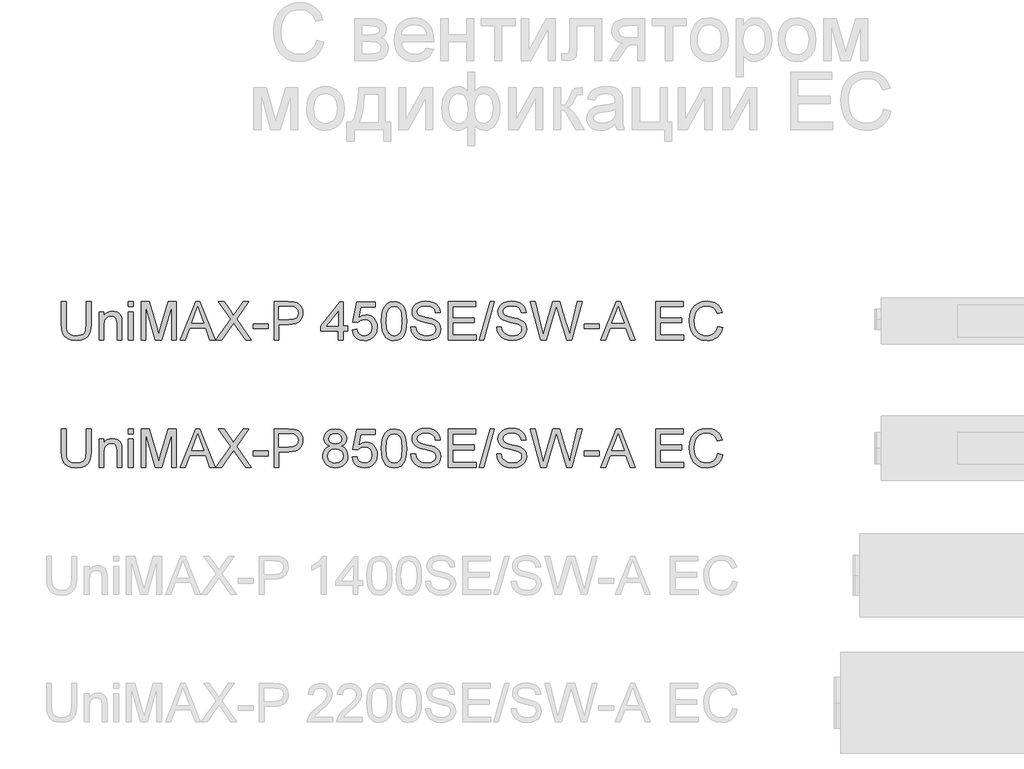
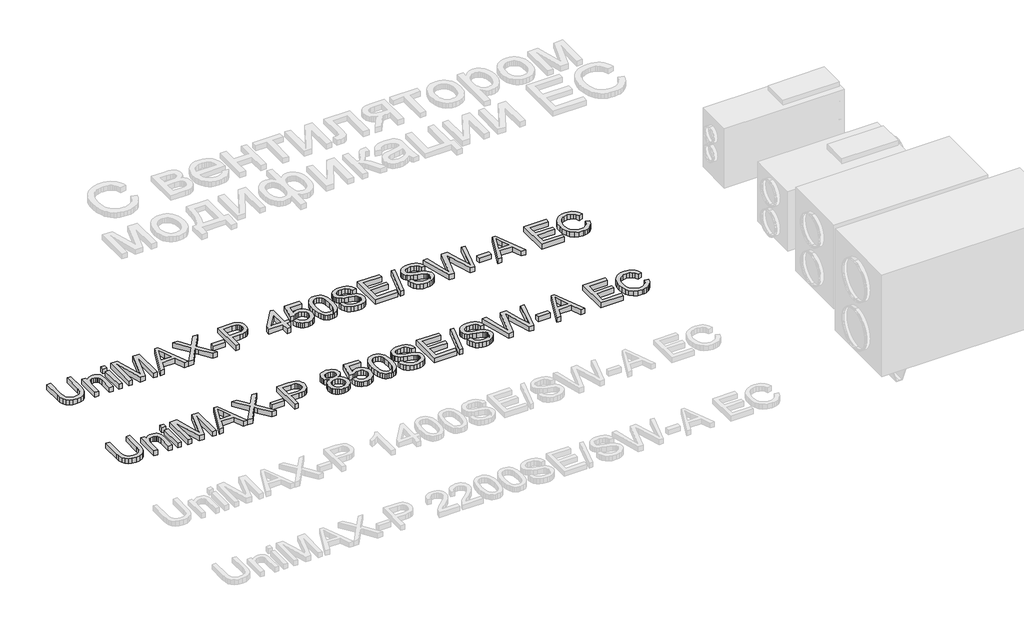
# One storey, part 6 of 74: 2 proxies.
"""IFC4 building model written with IfcOpenShell, lengths in millimetres."""

from ifc_helpers import new_model, si_unit, origin, origin_with_axes, place, context, project, spatial, polyline, outline, extrude, element, save

model = new_model("IFC4")

# Units and contexts
model_context = context("Model", 3, world=origin())
ifc_project = project(units=[si_unit("LENGTHUNIT", "METRE", prefix="MILLI")], contexts=[model_context])

# Site, building, storey
site = spatial("IfcSite", under=ifc_project)
building = spatial("IfcBuilding", under=site)
storey = spatial("IfcBuildingStorey", under=building, Elevation=0.0)

# Proxies
placement = place(None, origin())
element("IfcBuildingElementProxy", 1, Name="Generic Models", at=placement, inside=storey, context=model_context, shape_type="SweptSolid", body=[
    extrude(outline(polyline([(23136.3424808, -35731.9528304), (23174.0135971, -35731.9528304), (23174.0135971, -35905.8138613), (23171.4568172, -35946.5292011), (23163.7864776, -35977.8819441), (23149.4574739, -36002.0701853), (23126.9247017, -36021.2920196), (23096.1329787, -36033.8459926), (23057.0271226, -36038.0306503), (23018.7765922, -36034.3886186), (22988.1964013, -36023.4625233), (22965.277353, -36005.6294436), (22950.0102502, -35981.2664585), (22941.4294027, -35948.5893403), (22938.5691202, -35905.8138613), (22938.5691202, -35731.9528304), (22976.2402365, -35731.9528304), (22976.2402365, -35904.4894861), (22978.0980406, -35938.3438267), (22983.6714528, -35961.9158655), (22993.7698136, -35978.2406291), (23009.2024633, -35990.3531438), (23029.3256084, -35997.8579365), (23053.4954555, -36000.359534), (23091.8103653, -35995.4115212), (23106.1531646, -35989.2265052), (23117.2861934, -35980.5674827), (23125.6233192, -35968.3905887), (23131.578409, -35951.6519579), (23136.3424808, -35904.4894861), (23136.3424808, -35731.9528304)])), origin_with_axes(), (0.0, 0.0, 1.0), 50.0),
    extrude(outline(polyline([(23235.2291611, -36033.3217608), (23235.2291611, -35812.0039525), (23272.9002774, -35812.0039525), (23272.9002774, -35842.9060401), (23285.9876794, -35827.3262376), (23301.7054376, -35816.1978072), (23320.0535521, -35809.520749), (23341.0320229, -35807.295063), (23359.6008666, -35809.0884877), (23376.6062118, -35814.4687619), (23390.7880628, -35822.7645009), (23400.8864235, -35833.30432), (23412.1804008, -35861.0058343), (23414.1669636, -35897.4261518), (23414.1669636, -36033.3217608), (23376.4958472, -36033.3217608), (23376.4958472, -35902.5029233), (23372.1548397, -35869.1728146), (23366.1491661, -35859.2491977), (23356.8141605, -35851.551267), (23344.8487986, -35846.6124512), (23330.9520562, -35844.9661793), (23308.8883336, -35848.6633933), (23290.0803666, -35859.7550355), (23282.5640776, -35868.8095311), (23277.1952997, -35881.1841617), (23272.9002774, -35915.8938279), (23272.9002774, -36033.3217608), (23235.2291611, -36033.3217608)])), origin_with_axes(), (0.0, 0.0, 1.0), 50.0),
    extrude(outline(polyline([(23465.9647485, -36033.3217608), (23465.9647485, -35812.0039525), (23503.6358648, -35812.0039525), (23503.6358648, -36033.3217608), (23465.9647485, -36033.3217608)])), origin_with_axes(), (0.0, 0.0, 1.0), 50.0),
    extrude(outline(polyline([(23465.9647485, -35769.6239467), (23465.9647485, -35731.9528304), (23503.6358648, -35731.9528304), (23503.6358648, -35769.6239467), (23465.9647485, -35769.6239467)])), origin_with_axes(), (0.0, 0.0, 1.0), 50.0),
    extrude(outline(polyline([(23564.8514288, -36033.3217608), (23564.8514288, -35731.9528304), (23629.6722363, -35731.9528304), (23691.3292587, -35944.3678944), (23703.7636702, -35988.734463), (23717.2281512, -35940.6890744), (23777.855104, -35731.9528304), (23842.6759115, -35731.9528304), (23842.6759115, -36033.3217608), (23805.0047952, -36033.3217608), (23805.0047952, -35769.6239467), (23729.2946806, -36033.3217608), (23678.2326597, -36033.3217608), (23602.5225451, -35769.6239467), (23602.5225451, -36033.3217608), (23564.8514288, -36033.3217608)])), origin_with_axes(), (0.0, 0.0, 1.0), 50.0),
    extrude(outline(polyline([(23873.5044227, -36033.3217608), (23993.8018352, -35731.9528304), (24025.8811451, -35731.9528304), (24146.1785576, -36033.3217608), (24106.3737257, -36033.3217608), (24071.8663945, -35939.14397), (23947.7430094, -35939.14397), (23913.3092546, -36033.3217608), (23873.5044227, -36033.3217608)]), holes=[polyline([(23961.5753724, -35901.4728537), (24058.1076079, -35901.4728537), (24030.9579167, -35827.3814199), (24009.8414901, -35769.6239467), (23991.0795084, -35820.9066968), (23961.5753724, -35901.4728537)])]), origin_with_axes(), (0.0, 0.0, 1.0), 50.0),
    extrude(outline(polyline([(24153.4626211, -36033.3217608), (24269.6397551, -35869.0992382), (24172.2981792, -35731.9528304), (24217.4740882, -35731.9528304), (24272.2885055, -35809.1344729), (24290.7561817, -35839.2272201), (24312.387643, -35808.6194381), (24366.6134491, -35731.9528304), (24412.4515457, -35731.9528304), (24315.1099697, -35869.5406965), (24431.2871038, -36033.3217608), (24386.1111948, -36033.3217608), (24308.708823, -35924.1343846), (24292.5955916, -35901.4728537), (24274.8636795, -35926.3416766), (24199.3007177, -36033.3217608), (24153.4626211, -36033.3217608)])), origin_with_axes(), (0.0, 0.0, 1.0), 50.0),
    extrude(outline(polyline([(24445.4137724, -35943.8528596), (24445.4137724, -35906.1817433), (24563.1360109, -35906.1817433), (24563.1360109, -35943.8528596), (24445.4137724, -35943.8528596)])), origin_with_axes(), (0.0, 0.0, 1.0), 50.0),
    extrude(outline(polyline([(24610.2249063, -36033.3217608), (24610.2249063, -35731.9528304), (24721.91388, -35731.9528304), (24766.9426362, -35734.8223099), (24787.0197961, -35740.18419), (24803.5468947, -35748.9121903), (24816.8550259, -35761.4017841), (24827.2752834, -35778.0484443), (24834.0075239, -35797.6841458), (24836.2516041, -35819.1408632), (24834.7363901, -35837.640729), (24830.1907482, -35854.6598698), (24822.6146784, -35870.1982856), (24812.0081806, -35884.2559764), (24797.4469514, -35895.9086386), (24778.0066872, -35904.2319687), (24753.6873881, -35909.2259668), (24724.489054, -35910.8906328), (24647.8960226, -35910.8906328), (24647.8960226, -36033.3217608), (24610.2249063, -36033.3217608)]), holes=[polyline([(24647.8960226, -35873.2195165), (24726.6963459, -35873.2195165), (24760.1000311, -35869.7614257), (24782.1729508, -35859.3871535), (24794.4786036, -35842.7404932), (24798.5804878, -35820.4652384), (24796.1616637, -35803.5426666), (24788.9051913, -35789.2688452), (24777.7123816, -35778.5266909), (24763.4845455, -35772.1991206), (24725.8134292, -35769.6239467), (24647.8960226, -35769.6239467), (24647.8960226, -35873.2195165)])]), origin_with_axes(), (0.0, 0.0, 1.0), 50.0),
    extrude(outline(polyline([(25114.0760869, -36033.3217608), (25114.0760869, -35962.6884177), (24977.5182903, -35962.6884177), (24977.5182903, -35925.0173014), (25123.4938659, -35736.6617199), (25151.7472032, -35736.6617199), (25151.7472032, -35925.0173014), (25189.4183195, -35925.0173014), (25189.4183195, -35962.6884177), (25151.7472032, -35962.6884177), (25151.7472032, -36033.3217608), (25114.0760869, -36033.3217608)]), holes=[polyline([(25114.0760869, -35925.0173014), (25114.0760869, -35808.6194381), (25023.8714216, -35925.0173014), (25114.0760869, -35925.0173014)])]), origin_with_axes(), (0.0, 0.0, 1.0), 50.0),
    extrude(outline(polyline([(25222.3805462, -35953.2706387), (25260.0516626, -35948.5617491), (25266.9678441, -35971.1772948), (25279.0343735, -35987.3732996), (25296.1960686, -35997.1129754), (25318.397747, -36000.359534), (25345.4002854, -35995.8437825), (25365.6337952, -35982.2965281), (25378.2705417, -35961.2812691), (25382.4827905, -35934.3615041), (25378.5372561, -35909.0144346), (25366.700653, -35889.6270535), (25346.8810105, -35877.3214007), (25318.9863582, -35873.2195165), (25300.7118201, -35874.8565914), (25285.9137668, -35879.767816), (25264.7605521, -35896.7639642), (25227.0894358, -35892.0550747), (25260.0516626, -35736.6617199), (25406.0272382, -35736.6617199), (25406.0272382, -35774.3328362), (25290.5122918, -35774.3328362), (25274.3990604, -35857.3270143), (25301.3096283, -35840.9930537), (25329.5077832, -35835.5484002), (25347.8535985, -35837.2360588), (25364.7048931, -35842.2990348), (25380.0616672, -35850.7373281), (25393.9239206, -35862.5509386), (25405.3995396, -35877.0178981), (25413.5964103, -35893.416238), (25418.5145327, -35911.7459584), (25420.1539069, -35932.0070593), (25414.2494008, -35969.6781756), (25406.8687683, -35986.4719887), (25396.5358828, -36001.9046384), (25380.8825039, -36017.7097686), (25362.6171628, -36028.9991474), (25341.7398596, -36035.7727746), (25318.2505942, -36038.0306503), (25281.2508625, -36032.2273119), (25265.5721917, -36024.9731388), (25251.7743177, -36014.8172964), (25240.2941001, -36002.2656226), (25231.5683991, -35987.823955), (25222.3805462, -35953.2706387)])), origin_with_axes(), (0.0, 0.0, 1.0), 50.0),
    extrude(outline(polyline([(25453.1161336, -35885.0653167), (25455.8844456, -35836.8267901), (25464.1893817, -35798.3555305), (25477.9481683, -35769.0629266), (25497.078032, -35748.3603673), (25521.7169287, -35736.0547146), (25552.0028139, -35731.9528304), (25575.2161678, -35734.3808515), (25596.0015005, -35741.664915), (25613.3839248, -35753.5199123), (25626.3885533, -35769.6607349), (25636.2110026, -35789.9494269), (25644.0468891, -35814.2480327), (25649.1788429, -35845.104135), (25650.8894942, -35885.0653167), (25648.1487734, -35933.0279319), (25639.9266108, -35971.407221), (25626.2505976, -36000.727416), (25607.148325, -36021.5127488), (25582.4542461, -36033.9011749), (25552.0028139, -36038.0306503), (25531.2542694, -36036.2372256), (25512.8601696, -36030.8569514), (25496.8205146, -36021.8898278), (25483.1353044, -36009.3358547), (25470.0019172, -35986.6421341), (25460.6209263, -35958.3658043), (25454.9923318, -35924.5068652), (25453.1161336, -35885.0653167)]), holes=[polyline([(25490.7872499, -35884.9917403), (25495.2018339, -35944.2483327), (25500.7200638, -35964.5163314), (25508.4455857, -35978.5441317), (25528.1640606, -35994.9056835), (25552.0028139, -36000.359534), (25575.8415672, -35994.8872894), (25595.5600422, -35978.4705553), (25603.2855641, -35964.4197624), (25608.803794, -35944.1563622), (25613.2183779, -35884.9917403), (25608.9509468, -35827.0687202), (25603.6166578, -35806.8674001), (25596.1486533, -35792.5062068), (25576.4669666, -35775.3445117), (25551.5613555, -35769.6239467), (25527.9801196, -35774.66393), (25509.0341969, -35789.78388), (25501.0511576, -35805.4188648), (25495.3489867, -35826.4985031), (25490.7872499, -35884.9917403)])]), origin_with_axes(), (0.0, 0.0, 1.0), 50.0),
    extrude(outline(polyline([(25683.851721, -35929.726191), (25721.5228373, -35929.726191), (25725.8454507, -35950.6310853), (25733.6629431, -35967.4340955), (25745.8582313, -35980.7698178), (25763.314232, -35991.2728488), (25784.6513877, -35998.0878627), (25808.490141, -36000.359534), (25829.4778088, -35998.6396857), (25847.8535144, -35993.4801407), (25862.7435382, -35985.3131604), (25873.2741603, -35974.5710062), (25879.5373513, -35962.2377623), (25881.6250816, -35949.2975131), (25880.0615831, -35936.6883577), (25875.3710877, -35925.7898536), (25865.842944, -35916.4916362), (25849.7665008, -35908.6833408), (25794.9152953, -35894.2991548), (25758.9088451, -35884.7802082), (25735.8702351, -35875.7211141), (25717.1174504, -35863.0475793), (25703.8277133, -35847.688506), (25695.9090534, -35829.974988), (25693.2695001, -35810.2381189), (25696.5344528, -35788.1743963), (25706.3293109, -35767.6005957), (25722.396557, -35750.1629891), (25744.4786738, -35737.5078485), (25770.9845716, -35729.8099177), (25800.3231607, -35727.2439408), (25832.1081651, -35729.9294794), (25859.9200439, -35737.9860951), (25882.7655158, -35751.248241), (25899.6512994, -35769.5503703), (25910.3382713, -35791.7520487), (25914.5873084, -35816.712842), (25876.9161921, -35816.712842), (25870.0000106, -35794.2352521), (25855.5790363, -35778.0116561), (25833.0462641, -35768.1892069), (25801.7946886, -35764.9150571), (25769.8073492, -35768.1524187), (25747.8631882, -35777.8645034), (25735.1712593, -35792.1567189), (25730.9406164, -35809.1344729), (25733.9388546, -35823.6106295), (25742.9335694, -35835.2540946), (25764.1971487, -35845.6651551), (25804.443439, -35856.2969447), (25845.9773163, -35866.3953055), (25871.1036565, -35875.2060793), (25892.578768, -35888.8728954), (25907.5607623, -35905.7402849), (25916.362339, -35925.6243067), (25919.2961979, -35948.3410199), (25915.9208806, -35971.5635709), (25905.7949287, -35993.4065643), (25889.3322094, -36012.2053343), (25866.94659, -36026.2952147), (25840.026825, -36035.0967914), (25809.9616689, -36038.0306503), (25773.0539078, -36034.8668652), (25742.676052, -36025.3755097), (25718.4786138, -36009.5197957), (25700.1121052, -35987.262935), (25688.3214872, -35960.150032), (25683.851721, -35929.726191)])), origin_with_axes(), (0.0, 0.0, 1.0), 50.0),
    extrude(outline(polyline([(25975.8028724, -36033.3217608), (25975.8028724, -35731.9528304), (26192.4117911, -35731.9528304), (26192.4117911, -35769.6239467), (26013.4739887, -35769.6239467), (26013.4739887, -35859.0928479), (26182.9940121, -35859.0928479), (26182.9940121, -35896.7639642), (26013.4739887, -35896.7639642), (26013.4739887, -35995.6506445), (26197.1206807, -35995.6506445), (26197.1206807, -36033.3217608), (25975.8028724, -36033.3217608)])), origin_with_axes(), (0.0, 0.0, 1.0), 50.0),
    extrude(outline(polyline([(26220.6651284, -36033.3217608), (26305.42514, -35731.9528304), (26339.4174364, -35731.9528304), (26254.6574247, -36033.3217608), (26220.6651284, -36033.3217608)])), origin_with_axes(), (0.0, 0.0, 1.0), 50.0),
    extrude(outline(polyline([(26357.222925, -35929.726191), (26394.8940413, -35929.726191), (26399.2166547, -35950.6310853), (26407.0341471, -35967.4340955), (26419.2294353, -35980.7698178), (26436.6854359, -35991.2728488), (26458.0225916, -35998.0878627), (26481.8613449, -36000.359534), (26502.8490128, -35998.6396857), (26521.2247184, -35993.4801407), (26536.1147422, -35985.3131604), (26546.6453643, -35974.5710062), (26552.9085553, -35962.2377623), (26554.9962856, -35949.2975131), (26553.4327871, -35936.6883577), (26548.7422917, -35925.7898536), (26539.214148, -35916.4916362), (26523.1377048, -35908.6833408), (26468.2864993, -35894.2991548), (26432.280049, -35884.7802082), (26409.2414391, -35875.7211141), (26390.4886544, -35863.0475793), (26377.1989173, -35847.688506), (26369.2802574, -35829.974988), (26366.640704, -35810.2381189), (26369.9056568, -35788.1743963), (26379.7005149, -35767.6005957), (26395.767761, -35750.1629891), (26417.8498778, -35737.5078485), (26444.3557755, -35729.8099177), (26473.6943646, -35727.2439408), (26505.479369, -35729.9294794), (26533.2912479, -35737.9860951), (26556.1367198, -35751.248241), (26573.0225033, -35769.5503703), (26583.7094753, -35791.7520487), (26587.9585123, -35816.712842), (26550.287396, -35816.712842), (26543.3712145, -35794.2352521), (26528.9502403, -35778.0116561), (26506.4174681, -35768.1892069), (26475.1658926, -35764.9150571), (26443.1785531, -35768.1524187), (26421.2343921, -35777.8645034), (26408.5424633, -35792.1567189), (26404.3118203, -35809.1344729), (26407.3100586, -35823.6106295), (26416.3047734, -35835.2540946), (26437.5683527, -35845.6651551), (26477.814643, -35856.2969447), (26519.3485202, -35866.3953055), (26544.4748605, -35875.2060793), (26565.949972, -35888.8728954), (26580.9319662, -35905.7402849), (26589.733543, -35925.6243067), (26592.6674019, -35948.3410199), (26589.2920846, -35971.5635709), (26579.1661327, -35993.4065643), (26562.7034134, -36012.2053343), (26540.317794, -36026.2952147), (26513.398029, -36035.0967914), (26483.3328729, -36038.0306503), (26446.4251117, -36034.8668652), (26416.047256, -36025.3755097), (26391.8498178, -36009.5197957), (26373.4833092, -35987.262935), (26361.6926912, -35960.150032), (26357.222925, -35929.726191)])), origin_with_axes(), (0.0, 0.0, 1.0), 50.0),
    extrude(outline(polyline([(26703.1055768, -36033.3217608), (26620.9207391, -35731.9528304), (26659.7690778, -35731.9528304), (26707.4465844, -35930.0204966), (26722.1618642, -35991.1624842), (26737.9072136, -35937.0838309), (26797.6512496, -35731.9528304), (26853.6428893, -35731.9528304), (26897.0529647, -35880.6507328), (26915.6493995, -35935.8330321), (26929.3530039, -35991.1624842), (26943.6268253, -35931.7863301), (26991.7457902, -35731.9528304), (27030.5941289, -35731.9528304), (26948.3357148, -36033.3217608), (26908.0894245, -36033.3217608), (26835.8374007, -35800.8203398), (26825.757434, -35768.3731479), (26814.4266686, -35807.4422158), (26748.5757914, -36033.3217608), (26703.1055768, -36033.3217608)])), origin_with_axes(), (0.0, 0.0, 1.0), 50.0),
    extrude(outline(polyline([(27044.7207976, -35943.8528596), (27044.7207976, -35906.1817433), (27162.443036, -35906.1817433), (27162.443036, -35943.8528596), (27044.7207976, -35943.8528596)])), origin_with_axes(), (0.0, 0.0, 1.0), 50.0),
    extrude(outline(polyline([(27174.4359891, -36033.3217608), (27294.7334015, -35731.9528304), (27326.8127115, -35731.9528304), (27447.1101239, -36033.3217608), (27407.305292, -36033.3217608), (27372.7979609, -35939.14397), (27248.6745757, -35939.14397), (27214.2408209, -36033.3217608), (27174.4359891, -36033.3217608)]), holes=[polyline([(27262.5069387, -35901.4728537), (27359.0391742, -35901.4728537), (27331.889483, -35827.3814199), (27310.7730565, -35769.6239467), (27292.0110747, -35820.9066968), (27262.5069387, -35901.4728537)])]), origin_with_axes(), (0.0, 0.0, 1.0), 50.0),
    extrude(outline(polyline([(27605.0786526, -36033.3217608), (27605.0786526, -35731.9528304), (27821.6875714, -35731.9528304), (27821.6875714, -35769.6239467), (27642.7497689, -35769.6239467), (27642.7497689, -35859.0928479), (27812.2697923, -35859.0928479), (27812.2697923, -35896.7639642), (27642.7497689, -35896.7639642), (27642.7497689, -35995.6506445), (27826.3964609, -35995.6506445), (27826.3964609, -36033.3217608), (27605.0786526, -36033.3217608)])), origin_with_axes(), (0.0, 0.0, 1.0), 50.0),
    extrude(outline(polyline([(28094.8031646, -35926.1945238), (28132.4742809, -35935.9066085), (28125.020072, -35959.3337938), (28115.0918566, -35979.8041276), (28102.6896349, -35997.3176098), (28087.8134067, -36011.8742405), (28070.7988644, -36023.3176698), (28051.9817003, -36031.4915479), (28031.3619145, -36036.3958747), (28008.9395069, -36038.0306503), (27965.2443229, -36033.0826375), (27930.5438537, -36018.238599), (27903.9459855, -35994.0135696), (27884.5586043, -35960.9225842), (27872.7220011, -35922.0190632), (27868.7764667, -35880.3564272), (27873.2370359, -35836.4129229), (27886.6187435, -35798.4658951), (27908.2226137, -35767.7201573), (27937.3496707, -35745.3805232), (27971.89379, -35731.7780864), (28009.7488473, -35727.2439408), (28051.0527983, -35733.1116586), (28069.0215345, -35740.4463059), (28085.2014445, -35750.7148121), (28099.3258139, -35763.6458642), (28111.1279281, -35778.9681493), (28127.7653914, -35816.7864184), (28090.094275, -35825.7627391), (28077.0344642, -35798.2911511), (28059.1921875, -35779.4463959), (28036.3467156, -35768.5478918), (28008.2773193, -35764.9150571), (27975.9220978, -35768.943365), (27949.3426237, -35781.0282885), (27929.1734933, -35799.9006349), (27916.0493031, -35824.2912111), (27908.8480131, -35851.8639667), (27906.4475831, -35880.2828508), (27909.2894715, -35915.0844876), (27917.8151367, -35945.1772348), (27932.3464755, -35969.4114612), (27953.2053846, -35986.6375356), (27978.2121633, -35996.9290344), (28005.1871106, -36000.359534), (28036.6318241, -35995.6874327), (28062.8342192, -35981.6711287), (28082.6170735, -35958.4577748), (28094.8031646, -35926.1945238)])), origin_with_axes(), (0.0, 0.0, 1.0), 50.0),
])
element("IfcBuildingElementProxy", 2, Name="Generic Models", at=placement, inside=storey, context=model_context, shape_type="SweptSolid", body=[
    extrude(outline(polyline([(23136.3424808, -36731.9528304), (23174.0135971, -36731.9528304), (23174.0135971, -36905.8138613), (23171.4568172, -36946.5292011), (23163.7864776, -36977.8819441), (23149.4574739, -37002.0701853), (23126.9247017, -37021.2920196), (23096.1329787, -37033.8459926), (23057.0271226, -37038.0306503), (23018.7765922, -37034.3886186), (22988.1964013, -37023.4625233), (22965.277353, -37005.6294436), (22950.0102502, -36981.2664585), (22941.4294027, -36948.5893403), (22938.5691202, -36905.8138613), (22938.5691202, -36731.9528304), (22976.2402365, -36731.9528304), (22976.2402365, -36904.4894861), (22978.0980406, -36938.3438267), (22983.6714528, -36961.9158655), (22993.7698136, -36978.2406291), (23009.2024633, -36990.3531438), (23029.3256084, -36997.8579365), (23053.4954555, -37000.359534), (23091.8103653, -36995.4115212), (23106.1531646, -36989.2265052), (23117.2861934, -36980.5674827), (23125.6233192, -36968.3905887), (23131.578409, -36951.6519579), (23136.3424808, -36904.4894861), (23136.3424808, -36731.9528304)])), origin_with_axes(), (0.0, 0.0, 1.0), 50.0),
    extrude(outline(polyline([(23235.2291611, -37033.3217608), (23235.2291611, -36812.0039525), (23272.9002774, -36812.0039525), (23272.9002774, -36842.9060401), (23285.9876794, -36827.3262376), (23301.7054376, -36816.1978072), (23320.0535521, -36809.520749), (23341.0320229, -36807.295063), (23359.6008666, -36809.0884877), (23376.6062118, -36814.4687619), (23390.7880628, -36822.7645009), (23400.8864235, -36833.30432), (23412.1804008, -36861.0058343), (23414.1669636, -36897.4261518), (23414.1669636, -37033.3217608), (23376.4958472, -37033.3217608), (23376.4958472, -36902.5029233), (23372.1548397, -36869.1728146), (23366.1491661, -36859.2491977), (23356.8141605, -36851.551267), (23344.8487986, -36846.6124512), (23330.9520562, -36844.9661793), (23308.8883336, -36848.6633933), (23290.0803666, -36859.7550355), (23282.5640776, -36868.8095311), (23277.1952997, -36881.1841617), (23272.9002774, -36915.8938279), (23272.9002774, -37033.3217608), (23235.2291611, -37033.3217608)])), origin_with_axes(), (0.0, 0.0, 1.0), 50.0),
    extrude(outline(polyline([(23465.9647485, -37033.3217608), (23465.9647485, -36812.0039525), (23503.6358648, -36812.0039525), (23503.6358648, -37033.3217608), (23465.9647485, -37033.3217608)])), origin_with_axes(), (0.0, 0.0, 1.0), 50.0),
    extrude(outline(polyline([(23465.9647485, -36769.6239467), (23465.9647485, -36731.9528304), (23503.6358648, -36731.9528304), (23503.6358648, -36769.6239467), (23465.9647485, -36769.6239467)])), origin_with_axes(), (0.0, 0.0, 1.0), 50.0),
    extrude(outline(polyline([(23564.8514288, -37033.3217608), (23564.8514288, -36731.9528304), (23629.6722363, -36731.9528304), (23691.3292587, -36944.3678944), (23703.7636702, -36988.734463), (23717.2281512, -36940.6890744), (23777.855104, -36731.9528304), (23842.6759115, -36731.9528304), (23842.6759115, -37033.3217608), (23805.0047952, -37033.3217608), (23805.0047952, -36769.6239467), (23729.2946806, -37033.3217608), (23678.2326597, -37033.3217608), (23602.5225451, -36769.6239467), (23602.5225451, -37033.3217608), (23564.8514288, -37033.3217608)])), origin_with_axes(), (0.0, 0.0, 1.0), 50.0),
    extrude(outline(polyline([(23873.5044227, -37033.3217608), (23993.8018352, -36731.9528304), (24025.8811451, -36731.9528304), (24146.1785576, -37033.3217608), (24106.3737257, -37033.3217608), (24071.8663945, -36939.14397), (23947.7430094, -36939.14397), (23913.3092546, -37033.3217608), (23873.5044227, -37033.3217608)]), holes=[polyline([(23961.5753724, -36901.4728537), (24058.1076079, -36901.4728537), (24030.9579167, -36827.3814199), (24009.8414901, -36769.6239467), (23991.0795084, -36820.9066968), (23961.5753724, -36901.4728537)])]), origin_with_axes(), (0.0, 0.0, 1.0), 50.0),
    extrude(outline(polyline([(24153.4626211, -37033.3217608), (24269.6397551, -36869.0992382), (24172.2981792, -36731.9528304), (24217.4740882, -36731.9528304), (24272.2885055, -36809.1344729), (24290.7561817, -36839.2272201), (24312.387643, -36808.6194381), (24366.6134491, -36731.9528304), (24412.4515457, -36731.9528304), (24315.1099697, -36869.5406965), (24431.2871038, -37033.3217608), (24386.1111948, -37033.3217608), (24308.708823, -36924.1343846), (24292.5955916, -36901.4728537), (24274.8636795, -36926.3416766), (24199.3007177, -37033.3217608), (24153.4626211, -37033.3217608)])), origin_with_axes(), (0.0, 0.0, 1.0), 50.0),
    extrude(outline(polyline([(24445.4137724, -36943.8528596), (24445.4137724, -36906.1817433), (24563.1360109, -36906.1817433), (24563.1360109, -36943.8528596), (24445.4137724, -36943.8528596)])), origin_with_axes(), (0.0, 0.0, 1.0), 50.0),
    extrude(outline(polyline([(24610.2249063, -37033.3217608), (24610.2249063, -36731.9528304), (24721.91388, -36731.9528304), (24766.9426362, -36734.8223099), (24787.0197961, -36740.18419), (24803.5468947, -36748.9121903), (24816.8550259, -36761.4017841), (24827.2752834, -36778.0484443), (24834.0075239, -36797.6841458), (24836.2516041, -36819.1408632), (24834.7363901, -36837.640729), (24830.1907482, -36854.6598698), (24822.6146784, -36870.1982856), (24812.0081806, -36884.2559764), (24797.4469514, -36895.9086386), (24778.0066872, -36904.2319687), (24753.6873881, -36909.2259668), (24724.489054, -36910.8906328), (24647.8960226, -36910.8906328), (24647.8960226, -37033.3217608), (24610.2249063, -37033.3217608)]), holes=[polyline([(24647.8960226, -36873.2195165), (24726.6963459, -36873.2195165), (24760.1000311, -36869.7614257), (24782.1729508, -36859.3871535), (24794.4786036, -36842.7404932), (24798.5804878, -36820.4652384), (24796.1616637, -36803.5426666), (24788.9051913, -36789.2688452), (24777.7123816, -36778.5266909), (24763.4845455, -36772.1991206), (24725.8134292, -36769.6239467), (24647.8960226, -36769.6239467), (24647.8960226, -36873.2195165)])]), origin_with_axes(), (0.0, 0.0, 1.0), 50.0),
    extrude(outline(polyline([(25046.5329526, -36867.3334046), (25026.3638222, -36857.4005907), (25012.2095624, -36843.9361097), (25003.8494441, -36827.215873), (25001.0627379, -36807.5157922), (25002.5802512, -36792.1521203), (25007.1327909, -36778.0668384), (25014.720357, -36765.2599465), (25025.3429496, -36753.7314445), (25038.4901324, -36744.2033008), (25053.6514692, -36737.3974839), (25090.0166044, -36731.9528304), (25126.6024688, -36737.5262426), (25141.9293524, -36744.4930079), (25155.2788703, -36754.2464793), (25166.094601, -36766.000309), (25173.8201229, -36778.9681493), (25178.455436, -36793.1500003), (25180.0005404, -36808.5458617), (25177.2506225, -36827.6113461), (25169.0008687, -36844.0464743), (25155.1593087, -36857.4281819), (25135.6339718, -36867.3334046), (25158.8197345, -36879.2803724), (25175.6963211, -36896.8743288), (25185.9878199, -36919.2691452), (25189.4183195, -36945.6186932), (25187.7168652, -36964.4082661), (25182.6125026, -36981.6343405), (25174.1052314, -36997.2969164), (25162.1950518, -37011.3959939), (25147.5073632, -37023.0486561), (25130.6675648, -37031.3719862), (25111.6756568, -37036.3659843), (25090.5316392, -37038.0306503), (25069.3876215, -37036.3590865), (25050.3957135, -37031.3443951), (25033.5559152, -37022.986576), (25018.8682265, -37011.2856293), (25006.9580469, -36997.0876835), (24998.4507758, -36981.2388673), (24993.3464131, -36963.7391807), (24991.6449589, -36944.5886236), (24995.2134142, -36917.2182031), (25005.9187803, -36894.703825), (25023.2092341, -36877.8180414), (25046.5329526, -36867.3334046)]), holes=[polyline([(25029.3160752, -36943.2642484), (25035.6068573, -36971.6279502), (25044.3164635, -36983.7956472), (25057.863718, -36992.8547413), (25074.087314, -36998.4833359), (25090.8259448, -37000.359534), (25116.4673198, -36996.4139996), (25135.7075482, -36984.5773964), (25147.7372894, -36966.6523462), (25151.7472032, -36944.4414708), (25147.6085307, -36921.8535163), (25135.1925134, -36903.5329929), (25115.5108266, -36891.3928871), (25089.575146, -36887.3461851), (25064.2924559, -36891.3377048), (25045.2453656, -36903.3122637), (25033.2983978, -36921.2832992), (25029.3160752, -36943.2642484)]), polyline([(25038.7338543, -36808.6194381), (25042.0723834, -36825.0637633), (25052.0879707, -36838.1971506), (25068.4863106, -36846.8055892), (25090.9730976, -36849.6750688), (25112.9356527, -36846.8239833), (25129.0856723, -36838.270727), (25139.0184861, -36825.5787981), (25142.3294241, -36810.3116953), (25138.9081215, -36794.4651784), (25128.6442139, -36781.3593823), (25112.2734651, -36772.5578056), (25090.5316392, -36769.6239467), (25068.6518575, -36772.4934262), (25052.3086999, -36781.1018649), (25042.1275657, -36793.7202173), (25038.7338543, -36808.6194381)])]), origin_with_axes(), (0.0, 0.0, 1.0), 50.0),
    extrude(outline(polyline([(25222.3805462, -36953.2706387), (25260.0516626, -36948.5617491), (25266.9678441, -36971.1772948), (25279.0343735, -36987.3732996), (25296.1960686, -36997.1129754), (25318.397747, -37000.359534), (25345.4002854, -36995.8437825), (25365.6337952, -36982.2965281), (25378.2705417, -36961.2812691), (25382.4827905, -36934.3615041), (25378.5372561, -36909.0144346), (25366.700653, -36889.6270535), (25346.8810105, -36877.3214007), (25318.9863582, -36873.2195165), (25300.7118201, -36874.8565914), (25285.9137668, -36879.767816), (25264.7605521, -36896.7639642), (25227.0894358, -36892.0550747), (25260.0516626, -36736.6617199), (25406.0272382, -36736.6617199), (25406.0272382, -36774.3328362), (25290.5122918, -36774.3328362), (25274.3990604, -36857.3270143), (25301.3096283, -36840.9930537), (25329.5077832, -36835.5484002), (25347.8535985, -36837.2360588), (25364.7048931, -36842.2990348), (25380.0616672, -36850.7373281), (25393.9239206, -36862.5509386), (25405.3995396, -36877.0178981), (25413.5964103, -36893.416238), (25418.5145327, -36911.7459584), (25420.1539069, -36932.0070593), (25414.2494008, -36969.6781756), (25406.8687683, -36986.4719887), (25396.5358828, -37001.9046384), (25380.8825039, -37017.7097686), (25362.6171628, -37028.9991474), (25341.7398596, -37035.7727746), (25318.2505942, -37038.0306503), (25281.2508625, -37032.2273119), (25265.5721917, -37024.9731388), (25251.7743177, -37014.8172964), (25240.2941001, -37002.2656226), (25231.5683991, -36987.823955), (25222.3805462, -36953.2706387)])), origin_with_axes(), (0.0, 0.0, 1.0), 50.0),
    extrude(outline(polyline([(25453.1161336, -36885.0653167), (25455.8844456, -36836.8267901), (25464.1893817, -36798.3555305), (25477.9481683, -36769.0629266), (25497.078032, -36748.3603673), (25521.7169287, -36736.0547146), (25552.0028139, -36731.9528304), (25575.2161678, -36734.3808515), (25596.0015005, -36741.664915), (25613.3839248, -36753.5199123), (25626.3885533, -36769.6607349), (25636.2110026, -36789.9494269), (25644.0468891, -36814.2480327), (25649.1788429, -36845.104135), (25650.8894942, -36885.0653167), (25648.1487734, -36933.0279319), (25639.9266108, -36971.407221), (25626.2505976, -37000.727416), (25607.148325, -37021.5127488), (25582.4542461, -37033.9011749), (25552.0028139, -37038.0306503), (25531.2542694, -37036.2372256), (25512.8601696, -37030.8569514), (25496.8205146, -37021.8898278), (25483.1353044, -37009.3358547), (25470.0019172, -36986.6421341), (25460.6209263, -36958.3658043), (25454.9923318, -36924.5068652), (25453.1161336, -36885.0653167)]), holes=[polyline([(25490.7872499, -36884.9917403), (25495.2018339, -36944.2483327), (25500.7200638, -36964.5163314), (25508.4455857, -36978.5441317), (25528.1640606, -36994.9056835), (25552.0028139, -37000.359534), (25575.8415672, -36994.8872894), (25595.5600422, -36978.4705553), (25603.2855641, -36964.4197624), (25608.803794, -36944.1563622), (25613.2183779, -36884.9917403), (25608.9509468, -36827.0687202), (25603.6166578, -36806.8674001), (25596.1486533, -36792.5062068), (25576.4669666, -36775.3445117), (25551.5613555, -36769.6239467), (25527.9801196, -36774.66393), (25509.0341969, -36789.78388), (25501.0511576, -36805.4188648), (25495.3489867, -36826.4985031), (25490.7872499, -36884.9917403)])]), origin_with_axes(), (0.0, 0.0, 1.0), 50.0),
    extrude(outline(polyline([(25683.851721, -36929.726191), (25721.5228373, -36929.726191), (25725.8454507, -36950.6310853), (25733.6629431, -36967.4340955), (25745.8582313, -36980.7698178), (25763.314232, -36991.2728488), (25784.6513877, -36998.0878627), (25808.490141, -37000.359534), (25829.4778088, -36998.6396857), (25847.8535144, -36993.4801407), (25862.7435382, -36985.3131604), (25873.2741603, -36974.5710062), (25879.5373513, -36962.2377623), (25881.6250816, -36949.2975131), (25880.0615831, -36936.6883577), (25875.3710877, -36925.7898536), (25865.842944, -36916.4916362), (25849.7665008, -36908.6833408), (25794.9152953, -36894.2991548), (25758.9088451, -36884.7802082), (25735.8702351, -36875.7211141), (25717.1174504, -36863.0475793), (25703.8277133, -36847.688506), (25695.9090534, -36829.974988), (25693.2695001, -36810.2381189), (25696.5344528, -36788.1743963), (25706.3293109, -36767.6005957), (25722.396557, -36750.1629891), (25744.4786738, -36737.5078485), (25770.9845716, -36729.8099177), (25800.3231607, -36727.2439408), (25832.1081651, -36729.9294794), (25859.9200439, -36737.9860951), (25882.7655158, -36751.248241), (25899.6512994, -36769.5503703), (25910.3382713, -36791.7520487), (25914.5873084, -36816.712842), (25876.9161921, -36816.712842), (25870.0000106, -36794.2352521), (25855.5790363, -36778.0116561), (25833.0462641, -36768.1892069), (25801.7946886, -36764.9150571), (25769.8073492, -36768.1524187), (25747.8631882, -36777.8645034), (25735.1712593, -36792.1567189), (25730.9406164, -36809.1344729), (25733.9388546, -36823.6106295), (25742.9335694, -36835.2540946), (25764.1971487, -36845.6651551), (25804.443439, -36856.2969447), (25845.9773163, -36866.3953055), (25871.1036565, -36875.2060793), (25892.578768, -36888.8728954), (25907.5607623, -36905.7402849), (25916.362339, -36925.6243067), (25919.2961979, -36948.3410199), (25915.9208806, -36971.5635709), (25905.7949287, -36993.4065643), (25889.3322094, -37012.2053343), (25866.94659, -37026.2952147), (25840.026825, -37035.0967914), (25809.9616689, -37038.0306503), (25773.0539078, -37034.8668652), (25742.676052, -37025.3755097), (25718.4786138, -37009.5197957), (25700.1121052, -36987.262935), (25688.3214872, -36960.150032), (25683.851721, -36929.726191)])), origin_with_axes(), (0.0, 0.0, 1.0), 50.0),
    extrude(outline(polyline([(25975.8028724, -37033.3217608), (25975.8028724, -36731.9528304), (26192.4117911, -36731.9528304), (26192.4117911, -36769.6239467), (26013.4739887, -36769.6239467), (26013.4739887, -36859.0928479), (26182.9940121, -36859.0928479), (26182.9940121, -36896.7639642), (26013.4739887, -36896.7639642), (26013.4739887, -36995.6506445), (26197.1206807, -36995.6506445), (26197.1206807, -37033.3217608), (25975.8028724, -37033.3217608)])), origin_with_axes(), (0.0, 0.0, 1.0), 50.0),
    extrude(outline(polyline([(26220.6651284, -37033.3217608), (26305.42514, -36731.9528304), (26339.4174364, -36731.9528304), (26254.6574247, -37033.3217608), (26220.6651284, -37033.3217608)])), origin_with_axes(), (0.0, 0.0, 1.0), 50.0),
    extrude(outline(polyline([(26357.222925, -36929.726191), (26394.8940413, -36929.726191), (26399.2166547, -36950.6310853), (26407.0341471, -36967.4340955), (26419.2294353, -36980.7698178), (26436.6854359, -36991.2728488), (26458.0225916, -36998.0878627), (26481.8613449, -37000.359534), (26502.8490128, -36998.6396857), (26521.2247184, -36993.4801407), (26536.1147422, -36985.3131604), (26546.6453643, -36974.5710062), (26552.9085553, -36962.2377623), (26554.9962856, -36949.2975131), (26553.4327871, -36936.6883577), (26548.7422917, -36925.7898536), (26539.214148, -36916.4916362), (26523.1377048, -36908.6833408), (26468.2864993, -36894.2991548), (26432.280049, -36884.7802082), (26409.2414391, -36875.7211141), (26390.4886544, -36863.0475793), (26377.1989173, -36847.688506), (26369.2802574, -36829.974988), (26366.640704, -36810.2381189), (26369.9056568, -36788.1743963), (26379.7005149, -36767.6005957), (26395.767761, -36750.1629891), (26417.8498778, -36737.5078485), (26444.3557755, -36729.8099177), (26473.6943646, -36727.2439408), (26505.479369, -36729.9294794), (26533.2912479, -36737.9860951), (26556.1367198, -36751.248241), (26573.0225033, -36769.5503703), (26583.7094753, -36791.7520487), (26587.9585123, -36816.712842), (26550.287396, -36816.712842), (26543.3712145, -36794.2352521), (26528.9502403, -36778.0116561), (26506.4174681, -36768.1892069), (26475.1658926, -36764.9150571), (26443.1785531, -36768.1524187), (26421.2343921, -36777.8645034), (26408.5424633, -36792.1567189), (26404.3118203, -36809.1344729), (26407.3100586, -36823.6106295), (26416.3047734, -36835.2540946), (26437.5683527, -36845.6651551), (26477.814643, -36856.2969447), (26519.3485202, -36866.3953055), (26544.4748605, -36875.2060793), (26565.949972, -36888.8728954), (26580.9319662, -36905.7402849), (26589.733543, -36925.6243067), (26592.6674019, -36948.3410199), (26589.2920846, -36971.5635709), (26579.1661327, -36993.4065643), (26562.7034134, -37012.2053343), (26540.317794, -37026.2952147), (26513.398029, -37035.0967914), (26483.3328729, -37038.0306503), (26446.4251117, -37034.8668652), (26416.047256, -37025.3755097), (26391.8498178, -37009.5197957), (26373.4833092, -36987.262935), (26361.6926912, -36960.150032), (26357.222925, -36929.726191)])), origin_with_axes(), (0.0, 0.0, 1.0), 50.0),
    extrude(outline(polyline([(26703.1055768, -37033.3217608), (26620.9207391, -36731.9528304), (26659.7690778, -36731.9528304), (26707.4465844, -36930.0204966), (26722.1618642, -36991.1624842), (26737.9072136, -36937.0838309), (26797.6512496, -36731.9528304), (26853.6428893, -36731.9528304), (26897.0529647, -36880.6507328), (26915.6493995, -36935.8330321), (26929.3530039, -36991.1624842), (26943.6268253, -36931.7863301), (26991.7457902, -36731.9528304), (27030.5941289, -36731.9528304), (26948.3357148, -37033.3217608), (26908.0894245, -37033.3217608), (26835.8374007, -36800.8203398), (26825.757434, -36768.3731479), (26814.4266686, -36807.4422158), (26748.5757914, -37033.3217608), (26703.1055768, -37033.3217608)])), origin_with_axes(), (0.0, 0.0, 1.0), 50.0),
    extrude(outline(polyline([(27044.7207976, -36943.8528596), (27044.7207976, -36906.1817433), (27162.443036, -36906.1817433), (27162.443036, -36943.8528596), (27044.7207976, -36943.8528596)])), origin_with_axes(), (0.0, 0.0, 1.0), 50.0),
    extrude(outline(polyline([(27174.4359891, -37033.3217608), (27294.7334015, -36731.9528304), (27326.8127115, -36731.9528304), (27447.1101239, -37033.3217608), (27407.305292, -37033.3217608), (27372.7979609, -36939.14397), (27248.6745757, -36939.14397), (27214.2408209, -37033.3217608), (27174.4359891, -37033.3217608)]), holes=[polyline([(27262.5069387, -36901.4728537), (27359.0391742, -36901.4728537), (27331.889483, -36827.3814199), (27310.7730565, -36769.6239467), (27292.0110747, -36820.9066968), (27262.5069387, -36901.4728537)])]), origin_with_axes(), (0.0, 0.0, 1.0), 50.0),
    extrude(outline(polyline([(27605.0786526, -37033.3217608), (27605.0786526, -36731.9528304), (27821.6875714, -36731.9528304), (27821.6875714, -36769.6239467), (27642.7497689, -36769.6239467), (27642.7497689, -36859.0928479), (27812.2697923, -36859.0928479), (27812.2697923, -36896.7639642), (27642.7497689, -36896.7639642), (27642.7497689, -36995.6506445), (27826.3964609, -36995.6506445), (27826.3964609, -37033.3217608), (27605.0786526, -37033.3217608)])), origin_with_axes(), (0.0, 0.0, 1.0), 50.0),
    extrude(outline(polyline([(28094.8031646, -36926.1945238), (28132.4742809, -36935.9066085), (28125.020072, -36959.3337938), (28115.0918566, -36979.8041276), (28102.6896349, -36997.3176098), (28087.8134067, -37011.8742405), (28070.7988644, -37023.3176698), (28051.9817003, -37031.4915479), (28031.3619145, -37036.3958747), (28008.9395069, -37038.0306503), (27965.2443229, -37033.0826375), (27930.5438537, -37018.238599), (27903.9459855, -36994.0135696), (27884.5586043, -36960.9225842), (27872.7220011, -36922.0190632), (27868.7764667, -36880.3564272), (27873.2370359, -36836.4129229), (27886.6187435, -36798.4658951), (27908.2226137, -36767.7201573), (27937.3496707, -36745.3805232), (27971.89379, -36731.7780864), (28009.7488473, -36727.2439408), (28051.0527983, -36733.1116586), (28069.0215345, -36740.4463059), (28085.2014445, -36750.7148121), (28099.3258139, -36763.6458642), (28111.1279281, -36778.9681493), (28127.7653914, -36816.7864184), (28090.094275, -36825.7627391), (28077.0344642, -36798.2911511), (28059.1921875, -36779.4463959), (28036.3467156, -36768.5478918), (28008.2773193, -36764.9150571), (27975.9220978, -36768.943365), (27949.3426237, -36781.0282885), (27929.1734933, -36799.9006349), (27916.0493031, -36824.2912111), (27908.8480131, -36851.8639667), (27906.4475831, -36880.2828508), (27909.2894715, -36915.0844876), (27917.8151367, -36945.1772348), (27932.3464755, -36969.4114612), (27953.2053846, -36986.6375356), (27978.2121633, -36996.9290344), (28005.1871106, -37000.359534), (28036.6318241, -36995.6874327), (28062.8342192, -36981.6711287), (28082.6170735, -36958.4577748), (28094.8031646, -36926.1945238)])), origin_with_axes(), (0.0, 0.0, 1.0), 50.0),
])

save(model, "model.ifc")
